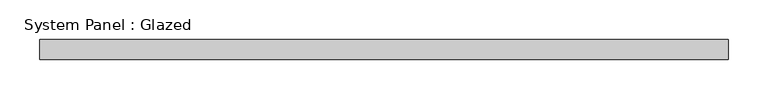
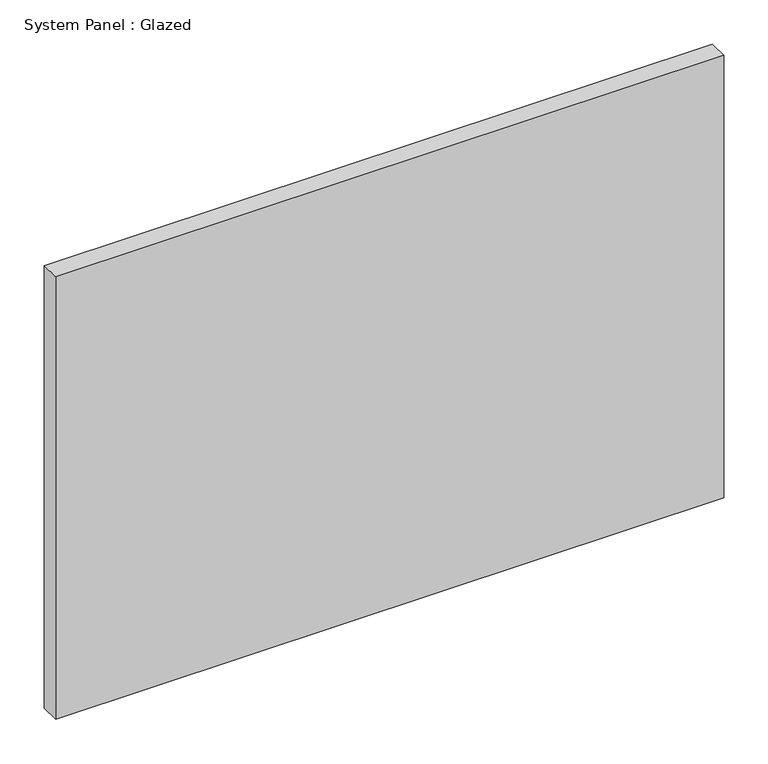
"""IFC4 building model written with IfcOpenShell, lengths in millimetres: plate geometry, System Panel : Glazed."""

from ifc_helpers import new_model, si_unit, origin, origin_with_axes, place, context, project, spatial, polyline, outline, extrude, source, transform, mapped, element, save


def system_panel_glazed_e02c2b92(model_context):
    return source(origin(), model_context, "Body", "SweptSolid", [
        extrude(outline(polyline([(435.3395835, 19.05), (-435.3395835, 19.05), (-435.3395835, 44.45), (435.3395835, 44.45), (435.3395835, 19.05)])), origin_with_axes(), (0.0, 0.0, 1.0), 609.6),
    ])


if __name__ == "__main__":
    model = new_model("IFC4")
    model_context = context("Model", 3, world=origin())
    ifc_project = project(units=[si_unit("LENGTHUNIT", "METRE", prefix="MILLI")], contexts=[model_context])
    site = spatial("IfcSite", under=ifc_project)
    building = spatial("IfcBuilding", under=site)
    placement = place(None, origin())
    system_panel_glazed_shape = system_panel_glazed_e02c2b92(model_context)
    element("IfcPlate", 1, ObjectType="System Panel : Glazed", at=placement, inside=building, context=model_context, shape_type="MappedRepresentation", body=[
        mapped(system_panel_glazed_shape, transform((0.0, 0.0, 0.0), x_axis=(1.0, 0.0, 0.0), y_axis=(0.0, 1.0, 0.0), z_axis=(0.0, 0.0, 1.0))),
    ])
    save(model, "model.ifc")
